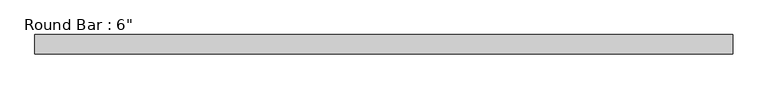
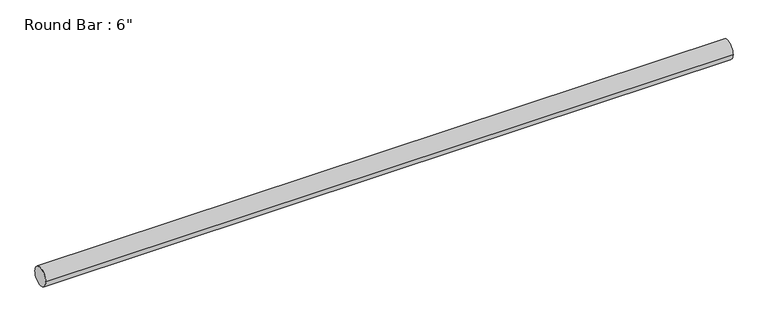
"""IFC4 building model written with IfcOpenShell, lengths in millimetres: beam geometry."""

import ifcopenshell
import ifcopenshell.guid

model = None  # the IFC model being written
_history = None  # IfcOwnerHistory: only IFC2X3 demands one
_inside = {}  # id of a spatial element -> (the spatial element, [elements in it])
_under = {}  # id of a project, library or spatial element -> (it, [spatial elements below it])
_declared = {}  # id of a project -> (the project, [libraries it declares])
_typed = {}  # id of a type object -> (the type object, [elements of that type])
_made_of = {}  # id of a material, layer set ... -> (it, [elements and type objects made of it])


def new_model(schema):
    """Start an empty IFC model of exactly this schema.

    Asked for "IFC4X3", IfcOpenShell would pick the latest addendum, in which some entities
    have other attributes; the version numbers below select the first issue.
    IFC2X3 requires an IfcOwnerHistory on every rooted entity: one is made here for all.
    """
    global model, _history
    if schema == "IFC4X3":
        model = ifcopenshell.file(schema_version=(4, 3, 0, 0))
    else:
        model = ifcopenshell.file(schema=schema)
    _inside.clear()
    _under.clear()
    _declared.clear()
    _typed.clear()
    _made_of.clear()
    _history = None
    if model.schema == "IFC2X3":
        org = make("IfcOrganization", Name="unknown")
        user = make(
            "IfcPersonAndOrganization",
            ThePerson=make("IfcPerson", FamilyName="unknown"),
            TheOrganization=org,
        )
        app = make(
            "IfcApplication",
            ApplicationDeveloper=org,
            Version="unknown",
            ApplicationFullName="unknown",
            ApplicationIdentifier="unknown",
        )
        _history = make(
            "IfcOwnerHistory",
            OwningUser=user,
            OwningApplication=app,
            ChangeAction="ADDED",
            CreationDate=0,
        )
    return model


def make(cls, **values):
    """One entity of the class cls with the attributes given. An attribute that is None is left unset."""
    return model.create_entity(
        cls, **{name: value for name, value in values.items() if value is not None}
    )


def rooted(cls, **values):
    """An entity with a GlobalId (a new one), such as an element, a storey or a relation."""
    return make(cls, GlobalId=ifcopenshell.guid.new(), OwnerHistory=_history, **values)


def si_unit(unit_type, name, prefix=None):
    """IfcSIUnit, for example si_unit("LENGTHUNIT", "METRE", prefix="MILLI")."""
    return make("IfcSIUnit", UnitType=unit_type, Prefix=prefix, Name=name)


def assignment(units):
    """IfcUnitAssignment: the units of a project."""
    return None if units is None else make("IfcUnitAssignment", Units=units)


def point(xyz):
    """IfcCartesianPoint."""
    return None if xyz is None else make("IfcCartesianPoint", Coordinates=xyz)


def direction(xyz):
    """IfcDirection."""
    return None if xyz is None else make("IfcDirection", DirectionRatios=xyz)


def frame(location, z_axis=None, x_axis=None):
    """IfcAxis2Placement3D, a coordinate frame: its origin and axes. An axis left out is left unset."""
    return make(
        "IfcAxis2Placement3D",
        Location=point(location),
        Axis=direction(z_axis),
        RefDirection=direction(x_axis),
    )


def frame_2d(location, x_axis=None):
    """IfcAxis2Placement2D, a coordinate frame in the plane: its origin and x axis."""
    return make(
        "IfcAxis2Placement2D", Location=point(location), RefDirection=direction(x_axis)
    )


def origin():
    """The frame at (0, 0, 0) with its axes left unset."""
    return frame((0.0, 0.0, 0.0))


def origin_2d():
    """The frame at (0, 0) in the plane with its x axis left unset."""
    return frame_2d((0.0, 0.0))


def place(relative_to, where):
    """IfcLocalPlacement: puts the frame where relative to a parent placement (None: the world)."""
    return make(
        "IfcLocalPlacement", PlacementRelTo=relative_to, RelativePlacement=where
    )


def context(
    kind, dimensions, precision=None, world=None, true_north=None, identifier=None
):
    """IfcGeometricRepresentationContext, for example the 3D "Model" context."""
    return make(
        "IfcGeometricRepresentationContext",
        ContextIdentifier=identifier,
        ContextType=kind,
        CoordinateSpaceDimension=dimensions,
        Precision=precision,
        WorldCoordinateSystem=world,
        TrueNorth=true_north,
    )


def project(units=None, contexts=None):
    """IfcProject with its units and contexts."""
    return rooted(
        "IfcProject",
        Name="project",
        RepresentationContexts=contexts,
        UnitsInContext=assignment(units),
    )


def spatial(cls, under=None, at=None, **own):
    """A site, building, storey or space (cls), placed at a placement, below another one or the project."""
    s = rooted(cls, ObjectPlacement=at, **own)
    if under is not None:
        _under.setdefault(under.id(), (under, []))[1].append(s)
    return s


def circle_curve(where, radius):
    """IfcCircle in the frame where."""
    return make("IfcCircle", Position=where, Radius=radius)


def trimmed(basis, trim1, trim2, sense, master):
    """IfcTrimmedCurve: the piece of a basis curve between two trims."""
    return make(
        "IfcTrimmedCurve",
        BasisCurve=basis,
        Trim1=trim1,
        Trim2=trim2,
        SenseAgreement=sense,
        MasterRepresentation=master,
    )


def segment(curve, same_sense, transition):
    """IfcCompositeCurveSegment."""
    return make(
        "IfcCompositeCurveSegment",
        Transition=transition,
        SameSense=same_sense,
        ParentCurve=curve,
    )


def composite_curve(segments, self_intersect=None):
    """IfcCompositeCurve: segments joined end to end."""
    return make("IfcCompositeCurve", Segments=segments, SelfIntersect=self_intersect)


def outline(outer, holes=None, kind="AREA"):
    """IfcArbitraryClosedProfileDef: a profile drawn as a closed curve; with holes, ...WithVoids."""
    if holes is None:
        return make("IfcArbitraryClosedProfileDef", ProfileType=kind, OuterCurve=outer)
    return make(
        "IfcArbitraryProfileDefWithVoids",
        ProfileType=kind,
        OuterCurve=outer,
        InnerCurves=holes,
    )


def extrude(swept, where, along, depth):
    """IfcExtrudedAreaSolid: the profile swept, set in the frame where, extruded along a direction by depth."""
    return make(
        "IfcExtrudedAreaSolid",
        SweptArea=swept,
        Position=where,
        ExtrudedDirection=direction(along),
        Depth=depth,
    )


def shape(context_of_items, identifier, shape_type, items):
    """IfcShapeRepresentation: the items that make up one representation, for example the "Body"."""
    return make(
        "IfcShapeRepresentation",
        ContextOfItems=context_of_items,
        RepresentationIdentifier=identifier,
        RepresentationType=shape_type,
        Items=items,
    )


def source(mapping_origin, context_of_items, identifier, shape_type, items):
    """IfcRepresentationMap: a shape defined once, which mapped items show again and again."""
    return make(
        "IfcRepresentationMap",
        MappingOrigin=mapping_origin,
        MappedRepresentation=shape(context_of_items, identifier, shape_type, items),
    )


def transform(
    local_origin,
    x_axis=None,
    y_axis=None,
    z_axis=None,
    scale=None,
    scale2=None,
    scale3=None,
    uniform=True,
):
    """IfcCartesianTransformationOperator3D, or its non-uniform kind. x_axis, y_axis, z_axis: its Axis1, 2, 3."""
    if uniform:
        return make(
            "IfcCartesianTransformationOperator3D",
            Axis1=direction(x_axis),
            Axis2=direction(y_axis),
            LocalOrigin=point(local_origin),
            Scale=scale,
            Axis3=direction(z_axis),
        )
    return make(
        "IfcCartesianTransformationOperator3DnonUniform",
        Axis1=direction(x_axis),
        Axis2=direction(y_axis),
        LocalOrigin=point(local_origin),
        Scale=scale,
        Axis3=direction(z_axis),
        Scale2=scale2,
        Scale3=scale3,
    )


def mapped(mapping_source, mapping_target):
    """IfcMappedItem: shows the shape of a source again, moved by a transform."""
    return make(
        "IfcMappedItem", MappingSource=mapping_source, MappingTarget=mapping_target
    )


def made_of(thing, what):
    """Note that an element or type object is made of a material, layer set ...; save() writes the relation."""
    if what is not None:
        _made_of.setdefault(what.id(), (what, []))[1].append(thing)
    return thing


def element(
    cls,
    number,
    at=None,
    inside=None,
    cuts=None,
    type_object=None,
    material=None,
    context=None,
    identifier="Body",
    shape_type=None,
    held_by="IfcProductDefinitionShape",
    body=None,
    shapes=None,
    **own,
):
    """One element of the class cls, such as IfcWall. Its Tag is "e" and its number.

    at: its placement. inside: the storey or other place that contains it. cuts: it is an
    opening in that element (IfcRelVoidsElement). A single representation is given by context,
    identifier, shape_type and body (its items); several are given by shapes. held_by: the class
    of the entity that holds the representations. save() writes the other relations.
    """
    e = rooted(cls, Tag="e%d" % number, ObjectPlacement=at, **own)
    if body is not None:
        shapes = [shape(context, identifier, shape_type, body)]
    if shapes is not None:
        e.Representation = make(held_by, Representations=shapes)
    if inside is not None:
        _inside.setdefault(inside.id(), (inside, []))[1].append(e)
    if cuts is not None:
        rooted(
            "IfcRelVoidsElement", RelatingBuildingElement=cuts, RelatedOpeningElement=e
        )
    if type_object is not None:
        _typed.setdefault(type_object.id(), (type_object, []))[1].append(e)
    return made_of(e, material)


def aggregate(whole, parts):
    """IfcRelAggregates: a whole, such as a stair, and the parts it consists of."""
    return rooted("IfcRelAggregates", RelatingObject=whole, RelatedObjects=parts)


def save(model, path):
    """Write the relations noted so far, then the file.

    IfcRelAggregates (storeys below a building ...), IfcRelContainedInSpatialStructure (elements
    in a storey), IfcRelDefinesByType, IfcRelAssociatesMaterial and IfcRelDeclares: one each for
    every whole, place, type object, material and project.
    """
    for whole, parts in _under.values():
        aggregate(whole, parts)
    for where, things in _inside.values():
        rooted(
            "IfcRelContainedInSpatialStructure",
            RelatedElements=things,
            RelatingStructure=where,
        )
    for kind, things in _typed.values():
        rooted("IfcRelDefinesByType", RelatedObjects=things, RelatingType=kind)
    for what, things in _made_of.values():
        rooted("IfcRelAssociatesMaterial", RelatedObjects=things, RelatingMaterial=what)
    for by, libraries in _declared.values():
        rooted("IfcRelDeclares", RelatingContext=by, RelatedDefinitions=libraries)
    model.write(path)


def beam_6fe834a7(model_context):
    return source(origin(), model_context, "Body", "SweptSolid", [
        extrude(outline(composite_curve([segment(trimmed(circle_curve(origin_2d(), 76.2), [point((-76.2, 0.0))], [point((76.2, 0.0))], False, "CARTESIAN"), True, "CONTINUOUS"), segment(trimmed(circle_curve(origin_2d(), 76.2), [point((76.2, 0.0))], [point((-76.2, 0.0))], False, "CARTESIAN"), True, "CONTINUOUS")], self_intersect=False)), frame((-2729.2568199, 0.0, 0.0), z_axis=(1.0, 0.0, 0.0), x_axis=(0.0, 1.0, 0.0)), (0.0, 0.0, 1.0), 5544.1537126),
    ])


if __name__ == "__main__":
    model = new_model("IFC4")
    model_context = context("Model", 3, world=origin())
    ifc_project = project(units=[si_unit("LENGTHUNIT", "METRE", prefix="MILLI")], contexts=[model_context])
    site = spatial("IfcSite", under=ifc_project)
    building = spatial("IfcBuilding", under=site)
    placement = place(None, origin())
    beam_shape = beam_6fe834a7(model_context)
    element("IfcBeam", 1, ObjectType="Round Bar : 6\"", at=placement, inside=building, context=model_context, shape_type="MappedRepresentation", body=[
        mapped(beam_shape, transform((0.0, 0.0, 0.0), x_axis=(1.0, 0.0, 0.0), y_axis=(0.0, 1.0, 0.0), z_axis=(0.0, 0.0, 1.0))),
    ])
    save(model, "model.ifc")
